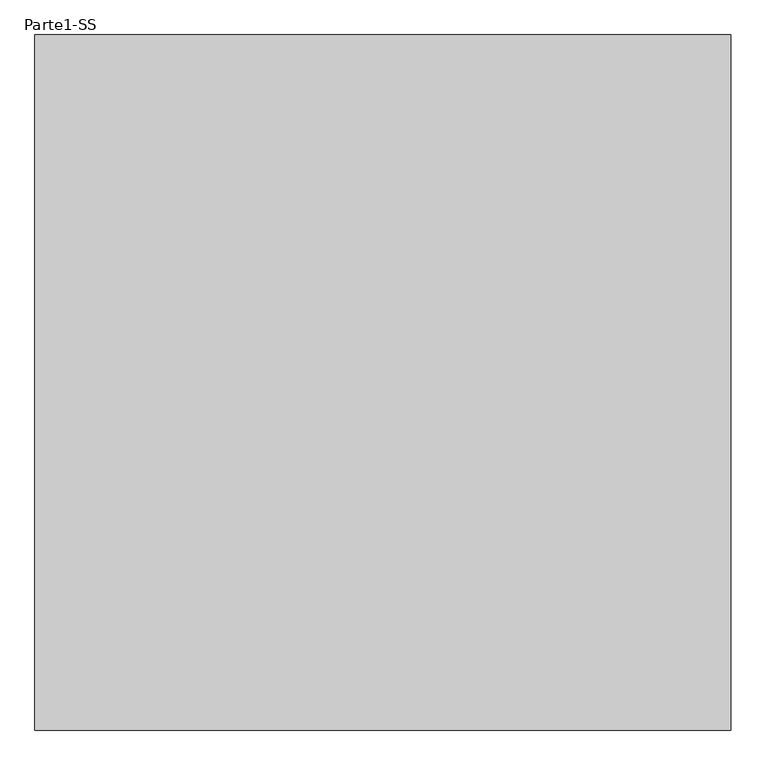
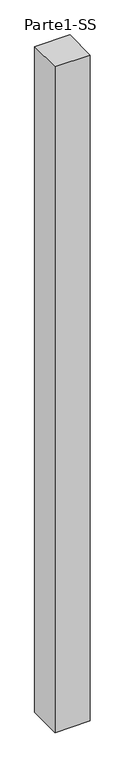
"""IFC4 building model written with IfcOpenShell, lengths in millimetres: proxy geometry, Parte1-SS."""

from ifc_helpers import new_model, si_unit, frame, origin, place, context, project, spatial, polyline, outline, extrude, source, transform, mapped, element, save


def parte1_ss_6912c72c(model_context):
    return source(origin(), model_context, "Body", "SweptSolid", [
        extrude(outline(polyline([(4000.0, 4000.0), (4000.0, 0.0), (0.0, 0.0), (0.0, 4000.0), (4000.0, 4000.0)])), frame((0.0, 0.0, 25000.0), z_axis=(0.0, 0.0, 1.0), x_axis=(1.0, 0.0, 0.0)), (0.0, 0.0, 1.0), 80000.0),
    ])


if __name__ == "__main__":
    model = new_model("IFC4")
    model_context = context("Model", 3, world=origin())
    ifc_project = project(units=[si_unit("LENGTHUNIT", "METRE", prefix="MILLI")], contexts=[model_context])
    site = spatial("IfcSite", under=ifc_project)
    building = spatial("IfcBuilding", under=site)
    placement = place(None, origin())
    parte1_ss_shape = parte1_ss_6912c72c(model_context)
    element("IfcBuildingElementProxy", 1, Name="Parte1-SS", ObjectType="Parte1-SS", at=placement, inside=building, context=model_context, shape_type="MappedRepresentation", body=[
        mapped(parte1_ss_shape, transform((0.0, 0.0, 0.0), x_axis=(1.0, 0.0, 0.0), y_axis=(0.0, 1.0, 0.0), z_axis=(0.0, 0.0, 1.0))),
    ])
    save(model, "model.ifc")
